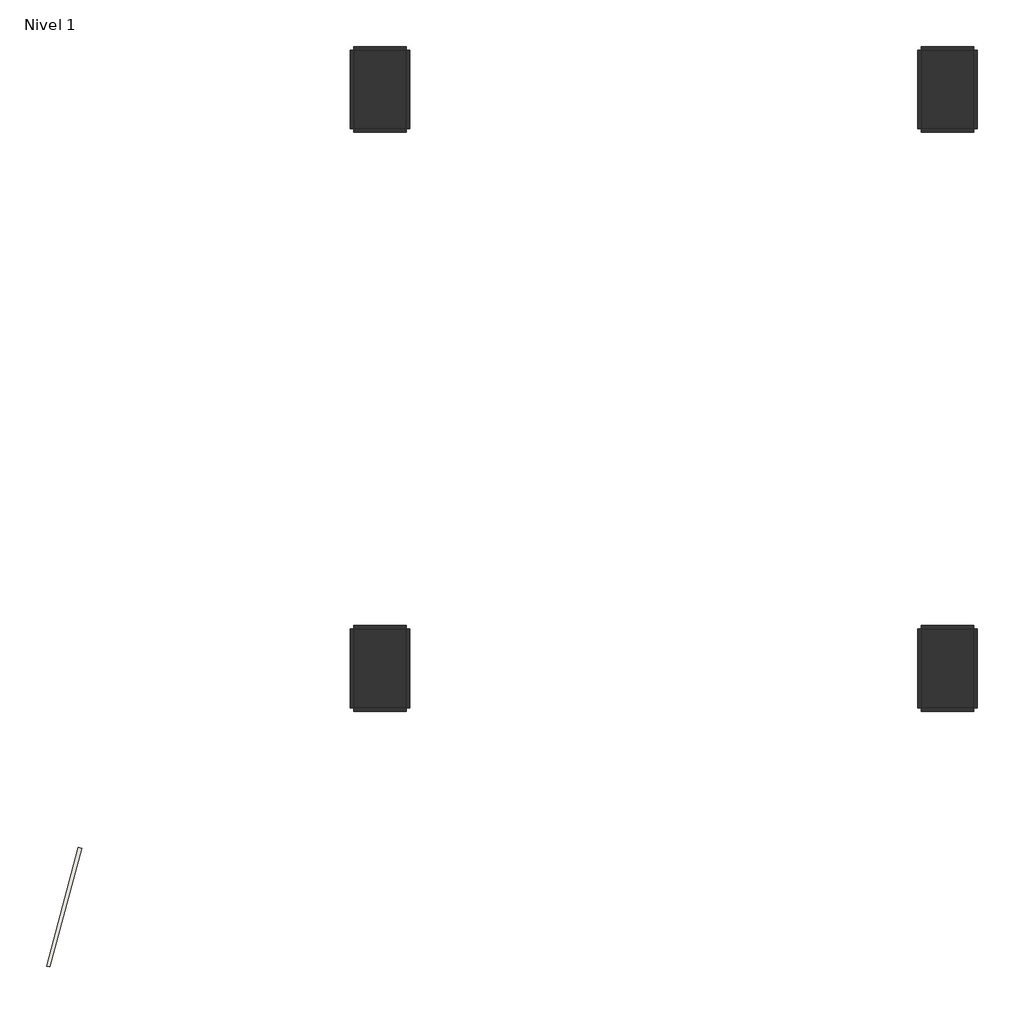
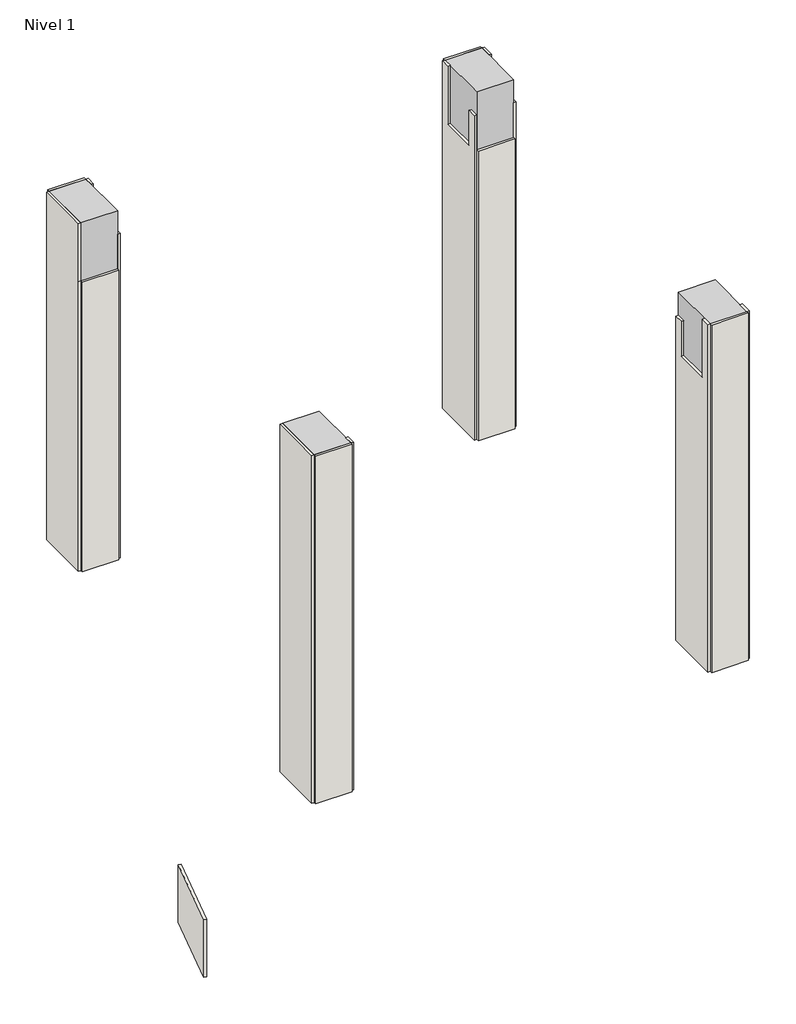
# One storey: 17 walls, 4 columns.
"""IFC4 building model written with IfcOpenShell, lengths in millimetres."""

from ifc_helpers import new_model, si_unit, frame, origin, origin_with_axes, place, context, project, spatial, polyline, outline, extrude, element, save

model = new_model("IFC4")

# Units and contexts
model_context = context("Model", 3, world=origin())
ifc_project = project(units=[si_unit("LENGTHUNIT", "METRE", prefix="MILLI")], contexts=[model_context])

# Site, building, storey
site = spatial("IfcSite", under=ifc_project)
building = spatial("IfcBuilding", under=site)
storey = spatial("IfcBuildingStorey", under=building, Name="Nivel 1", Elevation=0.0)

# Columns
placement = place(None, origin())
element("IfcColumn", 1, ObjectType="300 x 450 mm", at=placement, inside=storey, context=model_context, shape_type="SweptSolid", body=[
    extrude(outline(polyline([(-3128.8078166, -1014.5074606), (-3128.8078166, -1464.5074606), (-3428.8078166, -1464.5074606), (-3428.8078166, -1014.5074606), (-3128.8078166, -1014.5074606)])), origin_with_axes(), (0.0, 0.0, 1.0), 3000.0),
])
element("IfcColumn", 2, ObjectType="300 x 450 mm", at=placement, inside=storey, context=model_context, shape_type="SweptSolid", body=[
    extrude(outline(polyline([(-3128.8078166, 2287.8674421), (-3128.8078166, 1837.8674421), (-3428.8078166, 1837.8674421), (-3428.8078166, 2287.8674421), (-3128.8078166, 2287.8674421)])), origin_with_axes(), (0.0, 0.0, 1.0), 3000.0),
])
element("IfcColumn", 3, ObjectType="300 x 450 mm", at=placement, inside=storey, context=model_context, shape_type="SweptSolid", body=[
    extrude(outline(polyline([(107.793962, 2287.8674421), (107.793962, 1837.8674421), (-192.206038, 1837.8674421), (-192.206038, 2287.8674421), (107.793962, 2287.8674421)])), origin_with_axes(), (0.0, 0.0, 1.0), 3000.0),
])
element("IfcColumn", 4, ObjectType="300 x 450 mm", at=placement, inside=storey, context=model_context, shape_type="SweptSolid", body=[
    extrude(outline(polyline([(107.793962, -1014.5074606), (107.793962, -1464.5074606), (-192.206038, -1464.5074606), (-192.206038, -1014.5074606), (107.793962, -1014.5074606)])), origin_with_axes(), (0.0, 0.0, 1.0), 3000.0),
])

# Walls
element("IfcWall", 5, at=placement, inside=storey, context=model_context, shape_type="SweptSolid", body=[
    extrude(outline(polyline([(-4979.9869427, -2267.2465995), (-5161.1602742, -2943.3946779), (-5180.4787908, -2938.218297), (-4999.3054592, -2262.0702186), (-4979.9869427, -2267.2465995)])), origin_with_axes(), (0.0, 0.0, 1.0), 496.3814573),
])
element("IfcWall", 6, at=placement, inside=storey, context=model_context, shape_type="SweptSolid", body=[
    extrude(outline(polyline([(-3448.8078166, -1464.5074606), (-3448.8078166, -1014.5074606), (-3428.8078166, -1014.5074606), (-3428.8078166, -1464.5074606), (-3448.8078166, -1464.5074606)])), origin_with_axes(), (0.0, 0.0, 1.0), 3000.0),
])
element("IfcWall", 7, at=placement, inside=storey, context=model_context, shape_type="SweptSolid", body=[
    extrude(outline(polyline([(-3128.8078166, -1484.5074606), (-3428.8078166, -1484.5074606), (-3428.8078166, -1464.5074606), (-3128.8078166, -1464.5074606), (-3128.8078166, -1484.5074606)])), origin_with_axes(), (0.0, 0.0, 1.0), 3000.0),
])
element("IfcWall", 8, at=placement, inside=storey, context=model_context, shape_type="SweptSolid", body=[
    extrude(outline(polyline([(-3428.8078166, -994.5074606), (-3128.8078166, -994.5074606), (-3128.8078166, -1014.5074606), (-3428.8078166, -1014.5074606), (-3428.8078166, -994.5074606)])), origin_with_axes(), (0.0, 0.0, 1.0), 2500.0),
])
element("IfcWall", 9, at=placement, inside=storey, context=model_context, shape_type="SweptSolid", body=[
    extrude(outline(polyline([(-1389.5074606, 2500.0), (-1089.5074606, 2500.0), (-1089.5074606, 2800.0), (-1014.5074606, 2800.0), (-1014.5074606, 0.0), (-1464.5074606, 0.0), (-1464.5074606, 3000.0), (-1389.5074606, 3000.0), (-1389.5074606, 2500.0)])), frame((-3128.8078166, 0.0, 0.0), z_axis=(1.0, 0.0, 0.0), x_axis=(0.0, 1.0, 0.0)), (0.0, 0.0, 1.0), 20.0),
])
element("IfcWall", 10, at=placement, inside=storey, context=model_context, shape_type="SweptSolid", body=[
    extrude(outline(polyline([(1837.8674421, 3000.0), (2287.8674421, 3000.0), (2287.8674421, 0.0), (1837.8674421, 0.0), (1837.8674421, 2500.0), (1837.8674421, 3000.0)])), frame((-3448.8078166, 0.0, 0.0), z_axis=(1.0, 0.0, 0.0), x_axis=(0.0, 1.0, 0.0)), (0.0, 0.0, 1.0), 20.0),
])
element("IfcWall", 11, at=placement, inside=storey, context=model_context, shape_type="SweptSolid", body=[
    extrude(outline(polyline([(-3128.8078166, 1817.8674421), (-3428.8078166, 1817.8674421), (-3428.8078166, 1837.8674421), (-3128.8078166, 1837.8674421), (-3128.8078166, 1817.8674421)])), origin_with_axes(), (0.0, 0.0, 1.0), 2500.0),
])
element("IfcWall", 12, at=placement, inside=storey, context=model_context, shape_type="SweptSolid", body=[
    extrude(outline(polyline([(-3428.8078166, 2307.8674421), (-3128.8078166, 2307.8674421), (-3128.8078166, 2287.8674421), (-3428.8078166, 2287.8674421), (-3428.8078166, 2307.8674421)])), origin_with_axes(), (0.0, 0.0, 1.0), 3000.0),
])
element("IfcWall", 13, at=placement, inside=storey, context=model_context, shape_type="SweptSolid", body=[
    extrude(outline(polyline([(2212.8674421, 3000.0), (2287.8674421, 3000.0), (2287.8674421, 0.0), (1837.8674421, 0.0), (1837.8674421, 2800.0), (1912.8674421, 2800.0), (1912.8674421, 2500.0), (2212.8674421, 2500.0), (2212.8674421, 3000.0)])), frame((-3128.8078166, 0.0, 0.0), z_axis=(1.0, 0.0, 0.0), x_axis=(0.0, 1.0, 0.0)), (0.0, 0.0, 1.0), 20.0),
])
element("IfcWall", 14, at=placement, inside=storey, context=model_context, shape_type="SweptSolid", body=[
    extrude(outline(polyline([(2212.8674421, 2500.0), (2212.8674421, 3000.0), (2287.8674421, 3000.0), (2287.8674421, 0.0), (1837.8674421, 0.0), (1837.8674421, 2800.0), (1912.8674421, 2800.0), (1912.8674421, 2500.0), (2212.8674421, 2500.0)])), frame((-212.206038, 0.0, 0.0), z_axis=(1.0, 0.0, 0.0), x_axis=(0.0, 1.0, 0.0)), (0.0, 0.0, 1.0), 20.0),
])
element("IfcWall", 15, at=placement, inside=storey, context=model_context, shape_type="SweptSolid", body=[
    extrude(outline(polyline([(107.793962, 1817.8674421), (-192.206038, 1817.8674421), (-192.206038, 1837.8674421), (107.793962, 1837.8674421), (107.793962, 1817.8674421)])), origin_with_axes(), (0.0, 0.0, 1.0), 2500.0),
])
element("IfcWall", 16, at=placement, inside=storey, context=model_context, shape_type="SweptSolid", body=[
    extrude(outline(polyline([(-192.206038, 2307.8674421), (107.793962, 2307.8674421), (107.793962, 2287.8674421), (-192.206038, 2287.8674421), (-192.206038, 2307.8674421)])), origin_with_axes(), (0.0, 0.0, 1.0), 3000.0),
])
element("IfcWall", 17, at=placement, inside=storey, context=model_context, shape_type="SweptSolid", body=[
    extrude(outline(polyline([(2187.8674421, 3000.0), (2287.8674421, 3000.0), (2287.8674421, 0.0), (1837.8674421, 0.0), (1837.8674421, 2800.0), (2187.8674421, 2800.0), (2187.8674421, 3000.0)])), frame((107.793962, 0.0, 0.0), z_axis=(1.0, 0.0, 0.0), x_axis=(0.0, 1.0, 0.0)), (0.0, 0.0, 1.0), 20.0),
])
element("IfcWall", 18, at=placement, inside=storey, context=model_context, shape_type="SweptSolid", body=[
    extrude(outline(polyline([(-1389.5074606, 3000.0), (-1389.5074606, 2500.0), (-1089.5074606, 2500.0), (-1089.5074606, 2800.0), (-1014.5074606, 2800.0), (-1014.5074606, 0.0), (-1464.5074606, 0.0), (-1464.5074606, 3000.0), (-1389.5074606, 3000.0)])), frame((-212.206038, 0.0, 0.0), z_axis=(1.0, 0.0, 0.0), x_axis=(0.0, 1.0, 0.0)), (0.0, 0.0, 1.0), 20.0),
])
element("IfcWall", 19, at=placement, inside=storey, context=model_context, shape_type="SweptSolid", body=[
    extrude(outline(polyline([(107.793962, -1484.5074606), (-192.206038, -1484.5074606), (-192.206038, -1464.5074606), (107.793962, -1464.5074606), (107.793962, -1484.5074606)])), origin_with_axes(), (0.0, 0.0, 1.0), 3000.0),
])
element("IfcWall", 20, at=placement, inside=storey, context=model_context, shape_type="SweptSolid", body=[
    extrude(outline(polyline([(-192.206038, -994.5074606), (107.793962, -994.5074606), (107.793962, -1014.5074606), (-192.206038, -1014.5074606), (-192.206038, -994.5074606)])), origin_with_axes(), (0.0, 0.0, 1.0), 2500.0),
])
element("IfcWall", 21, at=placement, inside=storey, context=model_context, shape_type="SweptSolid", body=[
    extrude(outline(polyline([(-1364.5074606, 2800.0), (-1014.5074606, 2800.0), (-1014.5074606, 0.0), (-1464.5074606, 0.0), (-1464.5074606, 3000.0), (-1364.5074606, 3000.0), (-1364.5074606, 2800.0)])), frame((107.793962, 0.0, 0.0), z_axis=(1.0, 0.0, 0.0), x_axis=(0.0, 1.0, 0.0)), (0.0, 0.0, 1.0), 20.0),
])

save(model, "model.ifc")
